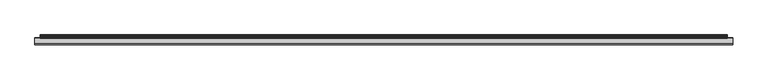
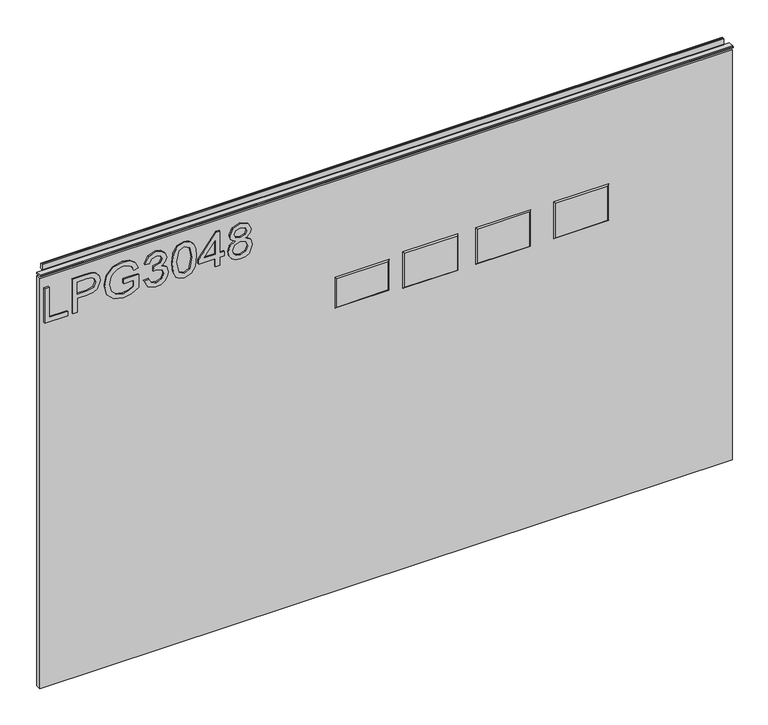
"""IFC4 building model written with IfcOpenShell, lengths in millimetres: furniture geometry."""

from ifc_helpers import new_model, si_unit, frame, origin, place, context, project, spatial, polyline, outline, extrude, faceted_brep, source, transform, mapped, element, save


def furniture_83bd25af(model_context):
    return source(origin(), model_context, "Body", "SolidModel", [
        extrude(outline(polyline([(773.6078, -291.2164221), (773.6078, -251.347824), (781.5815196, -251.347824), (781.5815196, -283.2427025), (837.3975569, -283.2427025), (837.3975569, -291.2164221), (773.6078, -291.2164221)])), frame((0.0, -5.5495814, 0.0), z_axis=(0.0, 1.0, 0.0), x_axis=(0.0, 0.0, 1.0)), (0.0, 0.0, 1.0), 2.38125),
        extrude(outline(polyline([(773.6078, -242.3773894), (773.6078, -234.4036698), (799.5223888, -234.4036698), (799.5223888, -218.1914782), (800.931806, -206.8635791), (805.1600577, -199.6665964), (818.9427567, -194.5350717), (827.640652, -196.4350596), (833.8078257, -201.4575685), (836.7901838, -209.2054699), (837.3975569, -218.7365567), (837.3975569, -242.3773894), (773.6078, -242.3773894)]), holes=[polyline([(807.4961084, -234.4036698), (829.4238373, -234.4036698), (829.4238373, -217.9111521), (828.8787588, -209.9374325), (825.2656671, -204.5567291), (818.6624306, -202.5087913), (810.4239585, -205.98172), (807.4961084, -217.724268), (807.4961084, -234.4036698)])]), frame((0.0, -5.5495814, 0.0), z_axis=(0.0, 1.0, 0.0), x_axis=(0.0, 0.0, 1.0)), (0.0, 0.0, 1.0), 2.38125),
        extrude(outline(polyline([(798.5256738, -153.6697587), (798.5256738, -135.7288895), (787.0011572, -135.7288895), (782.6327424, -143.803838), (780.5848047, -154.7131947), (783.3024103, -166.868445), (791.6187507, -175.5897008), (805.5182521, -178.5876325), (818.0394837, -176.0958451), (824.183297, -171.9921828), (828.6996616, -165.0463254), (830.4205523, -154.837784), (828.824251, -145.8751363), (824.5726388, -139.6612415), (817.1985055, -136.0247893), (819.2698038, -128.6740165), (829.8209659, -133.4940677), (836.1283027, -142.2386841), (838.3942719, -154.7131947), (834.4852804, -171.5016121), (822.5324879, -182.6757212), (805.191205, -186.5613521), (788.2314772, -182.6601475), (776.6213054, -171.1044835), (772.611085, -154.0746741), (775.1340198, -140.5489408), (782.6561029, -127.7551699), (806.4993934, -127.7551699), (806.4993934, -153.6697587), (798.5256738, -153.6697587)])), frame((0.0, -5.5495814, 0.0), z_axis=(0.0, 1.0, 0.0), x_axis=(0.0, 0.0, 1.0)), (0.0, 0.0, 1.0), 2.38125),
        extrude(outline(polyline([(790.5519542, -117.7880204), (777.6102335, -111.4495363), (772.611085, -97.4643796), (774.0750101, -88.9416881), (778.4667854, -82.0308715), (784.9610063, -77.4522122), (792.7322681, -75.9259924), (803.1043331, -78.9784319), (808.555118, -87.6685404), (813.8345925, -81.1275986), (821.1853653, -78.9161373), (829.2291664, -81.2444011), (835.2094562, -87.972227), (837.3975569, -97.5889689), (832.9590607, -110.2659372), (820.4534028, -116.7913055), (819.4566878, -108.8175858), (826.9320499, -104.9085944), (829.4238373, -97.3086429), (826.9554105, -89.8021334), (820.7181552, -86.8898569), (813.6788558, -90.907864), (811.4829682, -101.233208), (803.5092486, -102.1209072), (804.3813742, -96.5299593), (801.11869, -87.4660827), (792.8724312, -83.899712), (784.120028, -87.4972301), (780.5848047, -97.1840535), (783.1544604, -105.4147387), (791.5486691, -109.8143008), (790.5519542, -117.7880204)])), frame((0.0, -5.5495814, 0.0), z_axis=(0.0, 1.0, 0.0), x_axis=(0.0, 0.0, 1.0)), (0.0, 0.0, 1.0), 2.38125),
        extrude(outline(polyline([(804.9887473, -68.9489877), (789.4734775, -67.3604733), (778.6848168, -62.5949299), (774.129518, -56.3031668), (772.611085, -48.0179737), (776.1073742, -36.3455072), (786.7130443, -29.4074367), (804.9887473, -27.0869597), (819.9784058, -28.5353112), (829.4160505, -32.2729922), (835.3418324, -38.7049184), (837.3975569, -48.0179737), (833.9246283, -59.6437192), (823.3423188, -66.6051502), (804.9887473, -68.9489877)]), holes=[polyline([(805.004321, -60.9752681), (825.1566514, -57.1129977), (829.4238373, -48.1114158), (824.5804256, -38.6737711), (805.004321, -35.0606794), (785.2179718, -38.7983604), (780.5848047, -48.0179737), (785.2023982, -57.2375871), (805.004321, -60.9752681)])]), frame((0.0, -5.5495814, 0.0), z_axis=(0.0, 1.0, 0.0), x_axis=(0.0, 0.0, 1.0)), (0.0, 0.0, 1.0), 2.38125),
        extrude(outline(polyline([(773.6078, 5.8046337), (773.6078, 13.7783533), (788.5585243, 13.7783533), (788.5585243, 21.7520729), (796.5322439, 21.7520729), (796.5322439, 13.7783533), (836.400842, 13.7783533), (836.400842, 7.7980636), (796.5322439, -23.1000999), (788.5585243, -23.1000999), (788.5585243, 5.8046337), (773.6078, 5.8046337)]), holes=[polyline([(796.5322439, 5.8046337), (796.5322439, -13.2886871), (821.1697916, 5.8046337), (796.5322439, 5.8046337)])]), frame((0.0, -5.5495814, 0.0), z_axis=(0.0, 1.0, 0.0), x_axis=(0.0, 0.0, 1.0)), (0.0, 0.0, 1.0), 2.38125),
        extrude(outline(polyline([(808.7420021, 40.3470362), (802.9485964, 31.7503698), (792.3896474, 28.7290776), (784.6320125, 30.1696422), (778.2721145, 34.4913359), (774.0263424, 41.164654), (772.611085, 49.6600916), (774.0205023, 58.1555292), (778.248754, 64.8288473), (792.171616, 70.5911056), (802.4891731, 67.6866159), (808.7420021, 59.206752), (813.671069, 66.2694118), (821.1853653, 68.5976757), (832.6787346, 63.3649222), (837.3975569, 49.5510759), (832.7877503, 35.861819), (821.4033967, 30.7225075), (813.6944295, 33.0819187), (808.7420021, 40.3470362)]), holes=[polyline([(821.1697916, 38.6962271), (826.9943446, 41.5695694), (829.4238373, 49.6600916), (826.9398368, 57.7272532), (820.8115972, 60.6239561), (814.8936022, 57.8206952), (812.4796831, 49.7535336), (814.9091758, 41.5228484), (821.1697916, 38.6962271)]), polyline([(792.6699735, 36.7027972), (801.1264769, 40.074497), (804.5059635, 49.4576339), (801.0797559, 59.11331), (792.4207947, 62.617386), (783.9253571, 59.2223257), (780.5848047, 49.7223863), (782.1733191, 42.7453816), (786.6663232, 38.0343461), (792.6699735, 36.7027972)])]), frame((0.0, -5.5495814, 0.0), z_axis=(0.0, 1.0, 0.0), x_axis=(0.0, 0.0, 1.0)), (0.0, 0.0, 1.0), 2.38125),
        faceted_brep([(689.5973, -5.2069939, 682.5742), (598.9193, -5.2069939, 682.5742), (598.9193, -5.2069939, 619.5822), (689.5973, -5.2069939, 619.5822), (691.8833, -3.1749939, 684.8602), (691.8833, -3.1749939, 617.2962), (596.6333, -3.1749939, 617.2962), (596.6333, -3.1749939, 684.8602)], [[[0, 1, 2, 3]], [[4, 5, 6, 7]], [[4, 7, 1, 0]], [[7, 6, 2, 1]], [[6, 5, 3, 2]], [[5, 4, 0, 3]]]),
        faceted_brep([(553.8597, -5.2069939, 682.5742), (463.1817, -5.2069939, 682.5742), (463.1817, -5.2069939, 619.5822), (553.8597, -5.2069939, 619.5822), (556.1457, -3.1749939, 684.8602), (556.1457, -3.1749939, 617.2962), (460.8957, -3.1749939, 617.2962), (460.8957, -3.1749939, 684.8602)], [[[0, 1, 2, 3]], [[4, 5, 6, 7]], [[4, 7, 1, 0]], [[7, 6, 2, 1]], [[6, 5, 3, 2]], [[5, 4, 0, 3]]]),
        faceted_brep([(426.8597, -5.2069939, 682.5742), (336.1817, -5.2069939, 682.5742), (336.1817, -5.2069939, 619.5822), (426.8597, -5.2069939, 619.5822), (429.1457, -3.1749939, 684.8602), (429.1457, -3.1749939, 617.2962), (333.8957, -3.1749939, 617.2962), (333.8957, -3.1749939, 684.8602)], [[[0, 1, 2, 3]], [[4, 5, 6, 7]], [[4, 7, 1, 0]], [[7, 6, 2, 1]], [[6, 5, 3, 2]], [[5, 4, 0, 3]]]),
        faceted_brep([(307.594, -5.2069939, 677.1132), (217.932, -5.2069939, 677.1132), (217.932, -5.2069939, 625.0432), (307.594, -5.2069939, 625.0432), (309.88, -3.1749939, 679.3992), (309.88, -3.1749939, 622.7572), (215.646, -3.1749939, 622.7572), (215.646, -3.1749939, 679.3992)], [[[0, 1, 2, 3]], [[4, 5, 6, 7]], [[4, 7, 1, 0]], [[7, 6, 2, 1]], [[6, 5, 3, 2]], [[5, 4, 0, 3]]]),
        extrude(outline(polyline([(-298.196, 6.3500061), (907.288, 6.3500061), (907.288, -3.1749939), (-298.196, -3.1749939), (-298.196, 6.3500061)])), frame((0.0, 0.0, 101.6), z_axis=(0.0, 0.0, 1.0), x_axis=(1.0, 0.0, 0.0)), (0.0, 0.0, 1.0), 754.5578),
        extrude(outline(polyline([(5.5562561, 863.6), (6.3500061, 863.6), (6.3500061, 873.47425), (7.1437561, 874.268), (8.6677569, 874.268), (10.0084363, 873.8506926), (10.875413, 872.7461816), (10.9623604, 871.3447591), (10.2390011, 868.3863459), (10.4046103, 867.1833307), (11.6746103, 864.9836103), (10.7786383, 864.4663244), (7.1437561, 864.4663244), (7.1437561, 863.6), (6.3500061, 863.3669239), (6.3500061, 856.1578), (5.5562561, 856.1578), (5.5562561, 863.6)])), frame((-288.671, 0.0, 0.0), z_axis=(1.0, 0.0, 0.0), x_axis=(0.0, 1.0, 0.0)), (0.0, 0.0, 1.0), 1186.434),
        extrude(outline(polyline([(5.5562561, 863.6), (5.5562561, 860.4249996), (-3.975094, 860.4249996), (-5.3492339, 861.2183657), (-5.3492339, 862.8066395), (-3.9751037, 863.6), (5.5562561, 863.6)])), frame((-298.196, 0.0, 0.0), z_axis=(1.0, 0.0, 0.0), x_axis=(0.0, 1.0, 0.0)), (0.0, 0.0, 1.0), 1205.484),
    ])


if __name__ == "__main__":
    model = new_model("IFC4")
    model_context = context("Model", 3, world=origin())
    ifc_project = project(units=[si_unit("LENGTHUNIT", "METRE", prefix="MILLI")], contexts=[model_context])
    site = spatial("IfcSite", under=ifc_project)
    building = spatial("IfcBuilding", under=site)
    placement = place(None, origin())
    furniture_shape = furniture_83bd25af(model_context)
    element("IfcFurniture", 1, at=placement, inside=building, context=model_context, shape_type="MappedRepresentation", body=[
        mapped(furniture_shape, transform((0.0, 0.0, 0.0), x_axis=(1.0, 0.0, 0.0), y_axis=(0.0, 1.0, 0.0), z_axis=(0.0, 0.0, 1.0))),
    ])
    save(model, "model.ifc")
